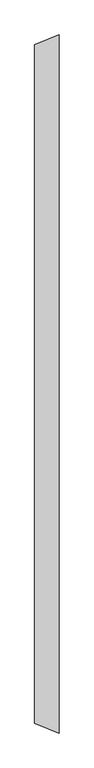
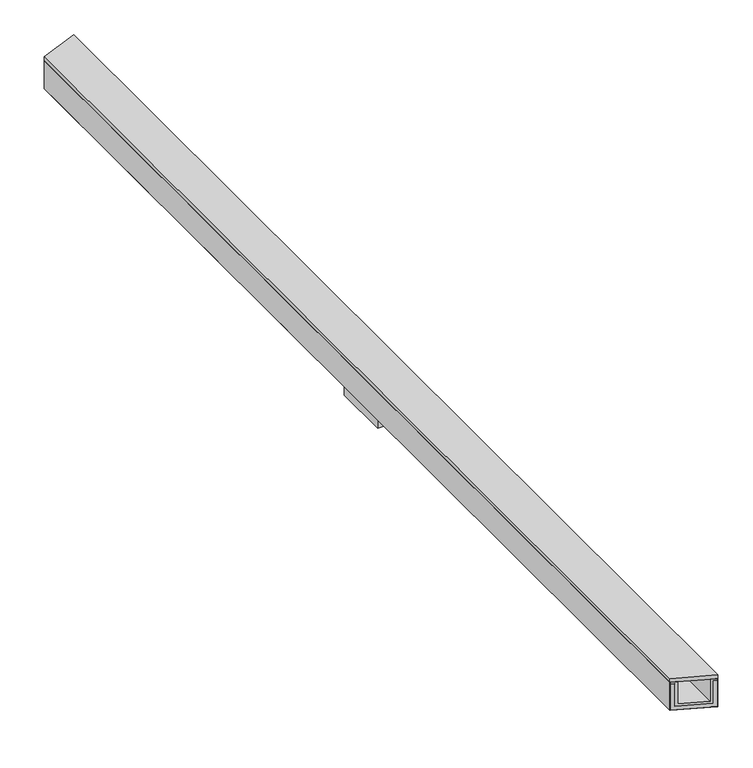
"""IFC4 building model written with IfcOpenShell, lengths in millimetres: proxy geometry."""

import ifcopenshell
import ifcopenshell.guid

model = None  # the IFC model being written
_history = None  # IfcOwnerHistory: only IFC2X3 demands one
_inside = {}  # id of a spatial element -> (the spatial element, [elements in it])
_under = {}  # id of a project, library or spatial element -> (it, [spatial elements below it])
_declared = {}  # id of a project -> (the project, [libraries it declares])
_typed = {}  # id of a type object -> (the type object, [elements of that type])
_made_of = {}  # id of a material, layer set ... -> (it, [elements and type objects made of it])


def new_model(schema):
    """Start an empty IFC model of exactly this schema.

    Asked for "IFC4X3", IfcOpenShell would pick the latest addendum, in which some entities
    have other attributes; the version numbers below select the first issue.
    IFC2X3 requires an IfcOwnerHistory on every rooted entity: one is made here for all.
    """
    global model, _history
    if schema == "IFC4X3":
        model = ifcopenshell.file(schema_version=(4, 3, 0, 0))
    else:
        model = ifcopenshell.file(schema=schema)
    _inside.clear()
    _under.clear()
    _declared.clear()
    _typed.clear()
    _made_of.clear()
    _history = None
    if model.schema == "IFC2X3":
        org = make("IfcOrganization", Name="unknown")
        user = make(
            "IfcPersonAndOrganization",
            ThePerson=make("IfcPerson", FamilyName="unknown"),
            TheOrganization=org,
        )
        app = make(
            "IfcApplication",
            ApplicationDeveloper=org,
            Version="unknown",
            ApplicationFullName="unknown",
            ApplicationIdentifier="unknown",
        )
        _history = make(
            "IfcOwnerHistory",
            OwningUser=user,
            OwningApplication=app,
            ChangeAction="ADDED",
            CreationDate=0,
        )
    return model


def make(cls, **values):
    """One entity of the class cls with the attributes given. An attribute that is None is left unset."""
    return model.create_entity(
        cls, **{name: value for name, value in values.items() if value is not None}
    )


def rooted(cls, **values):
    """An entity with a GlobalId (a new one), such as an element, a storey or a relation."""
    return make(cls, GlobalId=ifcopenshell.guid.new(), OwnerHistory=_history, **values)


def si_unit(unit_type, name, prefix=None):
    """IfcSIUnit, for example si_unit("LENGTHUNIT", "METRE", prefix="MILLI")."""
    return make("IfcSIUnit", UnitType=unit_type, Prefix=prefix, Name=name)


def assignment(units):
    """IfcUnitAssignment: the units of a project."""
    return None if units is None else make("IfcUnitAssignment", Units=units)


def point(xyz):
    """IfcCartesianPoint."""
    return None if xyz is None else make("IfcCartesianPoint", Coordinates=xyz)


def direction(xyz):
    """IfcDirection."""
    return None if xyz is None else make("IfcDirection", DirectionRatios=xyz)


def frame(location, z_axis=None, x_axis=None):
    """IfcAxis2Placement3D, a coordinate frame: its origin and axes. An axis left out is left unset."""
    return make(
        "IfcAxis2Placement3D",
        Location=point(location),
        Axis=direction(z_axis),
        RefDirection=direction(x_axis),
    )


def origin():
    """The frame at (0, 0, 0) with its axes left unset."""
    return frame((0.0, 0.0, 0.0))


def place(relative_to, where):
    """IfcLocalPlacement: puts the frame where relative to a parent placement (None: the world)."""
    return make(
        "IfcLocalPlacement", PlacementRelTo=relative_to, RelativePlacement=where
    )


def context(
    kind, dimensions, precision=None, world=None, true_north=None, identifier=None
):
    """IfcGeometricRepresentationContext, for example the 3D "Model" context."""
    return make(
        "IfcGeometricRepresentationContext",
        ContextIdentifier=identifier,
        ContextType=kind,
        CoordinateSpaceDimension=dimensions,
        Precision=precision,
        WorldCoordinateSystem=world,
        TrueNorth=true_north,
    )


def project(units=None, contexts=None):
    """IfcProject with its units and contexts."""
    return rooted(
        "IfcProject",
        Name="project",
        RepresentationContexts=contexts,
        UnitsInContext=assignment(units),
    )


def spatial(cls, under=None, at=None, **own):
    """A site, building, storey or space (cls), placed at a placement, below another one or the project."""
    s = rooted(cls, ObjectPlacement=at, **own)
    if under is not None:
        _under.setdefault(under.id(), (under, []))[1].append(s)
    return s


def polyline(points):
    """IfcPolyline through the points."""
    return make("IfcPolyline", Points=[point(p) for p in points])


def outline(outer, holes=None, kind="AREA"):
    """IfcArbitraryClosedProfileDef: a profile drawn as a closed curve; with holes, ...WithVoids."""
    if holes is None:
        return make("IfcArbitraryClosedProfileDef", ProfileType=kind, OuterCurve=outer)
    return make(
        "IfcArbitraryProfileDefWithVoids",
        ProfileType=kind,
        OuterCurve=outer,
        InnerCurves=holes,
    )


def extrude(swept, where, along, depth):
    """IfcExtrudedAreaSolid: the profile swept, set in the frame where, extruded along a direction by depth."""
    return make(
        "IfcExtrudedAreaSolid",
        SweptArea=swept,
        Position=where,
        ExtrudedDirection=direction(along),
        Depth=depth,
    )


def faces_of(points, faces, orient=None, outer=None):
    """IfcFace entities. A face is a list of loops; a loop is a list of indices into points, from 0.

    orient and outer hold one flag for each loop. By default every Orientation is true, the
    first loop of a face is its IfcFaceOuterBound and the others are IfcFaceBound.
    """
    made = []
    for i, loops in enumerate(faces):
        bounds = []
        for j, loop in enumerate(loops):
            is_outer = j == 0 if outer is None else outer[i][j]
            bounds.append(
                make(
                    "IfcFaceOuterBound" if is_outer else "IfcFaceBound",
                    Bound=make("IfcPolyLoop", Polygon=[points[k] for k in loop]),
                    Orientation=True if orient is None else orient[i][j],
                )
            )
        made.append(make("IfcFace", Bounds=bounds))
    return made


def faceted_brep(points, faces, orient=None, outer=None, voids=None):
    """IfcFacetedBrep: a solid bounded by flat faces; with voids (closed shells), ...WithVoids."""
    shared = [point(p) for p in points]
    hull = make("IfcClosedShell", CfsFaces=faces_of(shared, faces, orient, outer))
    if voids is None:
        return make("IfcFacetedBrep", Outer=hull)
    return make(
        "IfcFacetedBrepWithVoids",
        Outer=hull,
        Voids=[
            make(cls, CfsFaces=faces_of(shared, fs, o, b)) for cls, fs, o, b in voids
        ],
    )


def shape(context_of_items, identifier, shape_type, items):
    """IfcShapeRepresentation: the items that make up one representation, for example the "Body"."""
    return make(
        "IfcShapeRepresentation",
        ContextOfItems=context_of_items,
        RepresentationIdentifier=identifier,
        RepresentationType=shape_type,
        Items=items,
    )


def source(mapping_origin, context_of_items, identifier, shape_type, items):
    """IfcRepresentationMap: a shape defined once, which mapped items show again and again."""
    return make(
        "IfcRepresentationMap",
        MappingOrigin=mapping_origin,
        MappedRepresentation=shape(context_of_items, identifier, shape_type, items),
    )


def transform(
    local_origin,
    x_axis=None,
    y_axis=None,
    z_axis=None,
    scale=None,
    scale2=None,
    scale3=None,
    uniform=True,
):
    """IfcCartesianTransformationOperator3D, or its non-uniform kind. x_axis, y_axis, z_axis: its Axis1, 2, 3."""
    if uniform:
        return make(
            "IfcCartesianTransformationOperator3D",
            Axis1=direction(x_axis),
            Axis2=direction(y_axis),
            LocalOrigin=point(local_origin),
            Scale=scale,
            Axis3=direction(z_axis),
        )
    return make(
        "IfcCartesianTransformationOperator3DnonUniform",
        Axis1=direction(x_axis),
        Axis2=direction(y_axis),
        LocalOrigin=point(local_origin),
        Scale=scale,
        Axis3=direction(z_axis),
        Scale2=scale2,
        Scale3=scale3,
    )


def mapped(mapping_source, mapping_target):
    """IfcMappedItem: shows the shape of a source again, moved by a transform."""
    return make(
        "IfcMappedItem", MappingSource=mapping_source, MappingTarget=mapping_target
    )


def made_of(thing, what):
    """Note that an element or type object is made of a material, layer set ...; save() writes the relation."""
    if what is not None:
        _made_of.setdefault(what.id(), (what, []))[1].append(thing)
    return thing


def element(
    cls,
    number,
    at=None,
    inside=None,
    cuts=None,
    type_object=None,
    material=None,
    context=None,
    identifier="Body",
    shape_type=None,
    held_by="IfcProductDefinitionShape",
    body=None,
    shapes=None,
    **own,
):
    """One element of the class cls, such as IfcWall. Its Tag is "e" and its number.

    at: its placement. inside: the storey or other place that contains it. cuts: it is an
    opening in that element (IfcRelVoidsElement). A single representation is given by context,
    identifier, shape_type and body (its items); several are given by shapes. held_by: the class
    of the entity that holds the representations. save() writes the other relations.
    """
    e = rooted(cls, Tag="e%d" % number, ObjectPlacement=at, **own)
    if body is not None:
        shapes = [shape(context, identifier, shape_type, body)]
    if shapes is not None:
        e.Representation = make(held_by, Representations=shapes)
    if inside is not None:
        _inside.setdefault(inside.id(), (inside, []))[1].append(e)
    if cuts is not None:
        rooted(
            "IfcRelVoidsElement", RelatingBuildingElement=cuts, RelatedOpeningElement=e
        )
    if type_object is not None:
        _typed.setdefault(type_object.id(), (type_object, []))[1].append(e)
    return made_of(e, material)


def aggregate(whole, parts):
    """IfcRelAggregates: a whole, such as a stair, and the parts it consists of."""
    return rooted("IfcRelAggregates", RelatingObject=whole, RelatedObjects=parts)


def save(model, path):
    """Write the relations noted so far, then the file.

    IfcRelAggregates (storeys below a building ...), IfcRelContainedInSpatialStructure (elements
    in a storey), IfcRelDefinesByType, IfcRelAssociatesMaterial and IfcRelDeclares: one each for
    every whole, place, type object, material and project.
    """
    for whole, parts in _under.values():
        aggregate(whole, parts)
    for where, things in _inside.values():
        rooted(
            "IfcRelContainedInSpatialStructure",
            RelatedElements=things,
            RelatingStructure=where,
        )
    for kind, things in _typed.values():
        rooted("IfcRelDefinesByType", RelatedObjects=things, RelatingType=kind)
    for what, things in _made_of.values():
        rooted("IfcRelAssociatesMaterial", RelatedObjects=things, RelatingMaterial=what)
    for by, libraries in _declared.values():
        rooted("IfcRelDeclares", RelatingContext=by, RelatedDefinitions=libraries)
    model.write(path)


def generic_models_2d8f47a3(model_context):
    return source(origin(), model_context, "Body", "SolidModel", [
        faceted_brep([(21.0, 2835.687806, 21.0), (21.0, 2835.687806, 146.0), (1.0, 2827.4035347, 146.0), (1.0, 2827.4035347, 156.0), (33.0, 2840.6583687, 156.0), (33.0, 2840.6583687, 33.0), (169.0, 2896.9914132, 33.0), (169.0, 2896.9914132, 156.0), (201.0, 2910.2462472, 156.0), (201.0, 2910.2462472, 146.0), (181.0, 2901.9619759, 146.0), (181.0, 2901.9619759, 21.0), (21.0, -2835.687806, 146.0), (21.0, -2835.687806, 21.0), (181.0, -2901.9619759, 21.0), (181.0, -2901.9619759, 146.0), (201.0, -2910.2462472, 146.0), (201.0, -2910.2462472, 156.0), (169.0, -2896.9914132, 156.0), (169.0, -2896.9914132, 33.0), (33.0, -2840.6583687, 33.0), (33.0, -2840.6583687, 156.0), (1.0, -2827.4035347, 156.0), (1.0, -2827.4035347, 146.0)], [[[0, 1, 2, 3, 4, 5, 6, 7, 8, 9, 10, 11]], [[12, 13, 14, 15, 16, 17, 18, 19, 20, 21, 22, 23]], [[0, 13, 12, 1]], [[1, 12, 23, 2]], [[2, 23, 22, 3]], [[3, 22, 21, 4]], [[4, 21, 20, 5]], [[5, 20, 19, 6]], [[6, 19, 18, 7]], [[7, 18, 17, 8]], [[8, 17, 16, 9]], [[9, 16, 15, 10]], [[10, 15, 14, 11]], [[13, 0, 11, 14]]]),
        faceted_brep([(0.0, 2826.9893212, 0.0), (0.0, 2826.9893212, 156.0), (1.0, 2827.4035347, 156.0), (1.0, 2827.4035347, 1.0), (201.0, 2910.2462472, 1.0), (201.0, 2910.2462472, 156.0), (202.0, 2910.6604608, 156.0), (202.0, 2910.6604608, 0.0), (0.0, -2826.9893212, 156.0), (0.0, -2826.9893212, 0.0), (202.0, -2910.6604608, 0.0), (202.0, -2910.6604608, 156.0), (201.0, -2910.2462472, 156.0), (201.0, -2910.2462472, 1.0), (1.0, -2827.4035347, 1.0), (1.0, -2827.4035347, 156.0), (21.0, 150.0, 1.0), (181.0, 150.0, 1.0), (181.0, -150.0, 1.0), (21.0, -150.0, 1.0), (181.0, 150.0, 0.0), (21.0, 150.0, 0.0), (21.0, -150.0, 0.0), (181.0, -150.0, 0.0)], [[[0, 1, 2, 3, 4, 5, 6, 7]], [[8, 9, 10, 11, 12, 13, 14, 15]], [[0, 9, 8, 1]], [[1, 8, 15, 2]], [[2, 15, 14, 3]], [[3, 14, 13, 4], [16, 17, 18, 19]], [[4, 13, 12, 5]], [[11, 6, 5, 12]], [[6, 11, 10, 7]], [[7, 10, 9, 0], [20, 21, 22, 23]], [[20, 17, 16, 21]], [[21, 16, 19, 22]], [[22, 19, 18, 23]], [[17, 20, 23, 18]]]),
        faceted_brep([(21.0, 2835.687806, 21.0), (181.0, 2901.9619759, 21.0), (181.0, 2901.9619759, 146.0), (201.0, 2910.2462472, 146.0), (201.0, 2910.2462472, 1.0), (1.0, 2827.4035347, 1.0), (1.0, 2827.4035347, 146.0), (21.0, 2835.687806, 146.0), (181.0, -2901.9619759, 21.0), (21.0, -2835.687806, 21.0), (21.0, -2835.687806, 146.0), (1.0, -2827.4035347, 146.0), (1.0, -2827.4035347, 1.0), (201.0, -2910.2462472, 1.0), (201.0, -2910.2462472, 146.0), (181.0, -2901.9619759, 146.0), (21.0, 150.0, 21.0), (181.0, 150.0, 21.0), (181.0, -150.0, 21.0), (21.0, -150.0, 21.0), (181.0, 150.0, 1.0), (181.0, -150.0, 1.0), (21.0, 150.0, 1.0), (21.0, -150.0, 1.0)], [[[0, 1, 2, 3, 4, 5, 6, 7]], [[8, 9, 10, 11, 12, 13, 14, 15]], [[1, 0, 16, 17]], [[9, 8, 18, 19]], [[15, 2, 1, 17, 20, 21, 18, 8]], [[2, 15, 14, 3]], [[3, 14, 13, 4]], [[4, 13, 12, 5], [20, 22, 23, 21]], [[5, 12, 11, 6]], [[6, 11, 10, 7]], [[7, 10, 9, 19, 23, 22, 16, 0]], [[20, 17, 16, 22]], [[23, 19, 18, 21]]]),
        extrude(outline(polyline([(202.0, 2910.6604608), (202.0, -2910.6604608), (0.0, -2826.9893212), (0.0, 2826.9893212), (202.0, 2910.6604608)])), frame((0.0, 0.0, 156.0), z_axis=(0.0, 0.0, 1.0), x_axis=(1.0, 0.0, 0.0)), (0.0, 0.0, 1.0), 20.0),
        extrude(outline(polyline([(181.0, 150.0), (181.0, -150.0), (21.0, -150.0), (21.0, 150.0), (181.0, 150.0)])), frame((0.0, 0.0, -74.0), z_axis=(0.0, 0.0, 1.0), x_axis=(1.0, 0.0, 0.0)), (0.0, 0.0, 1.0), 95.0),
    ])


if __name__ == "__main__":
    model = new_model("IFC4")
    model_context = context("Model", 3, world=origin())
    ifc_project = project(units=[si_unit("LENGTHUNIT", "METRE", prefix="MILLI")], contexts=[model_context])
    site = spatial("IfcSite", under=ifc_project)
    building = spatial("IfcBuilding", under=site)
    placement = place(None, origin())
    generic_models_shape = generic_models_2d8f47a3(model_context)
    element("IfcBuildingElementProxy", 1, Name="Generic Models", at=placement, inside=building, context=model_context, shape_type="MappedRepresentation", body=[
        mapped(generic_models_shape, transform((0.0, 0.0, 0.0), x_axis=(1.0, 0.0, 0.0), y_axis=(0.0, 1.0, 0.0), z_axis=(0.0, 0.0, 1.0))),
    ])
    save(model, "model.ifc")
